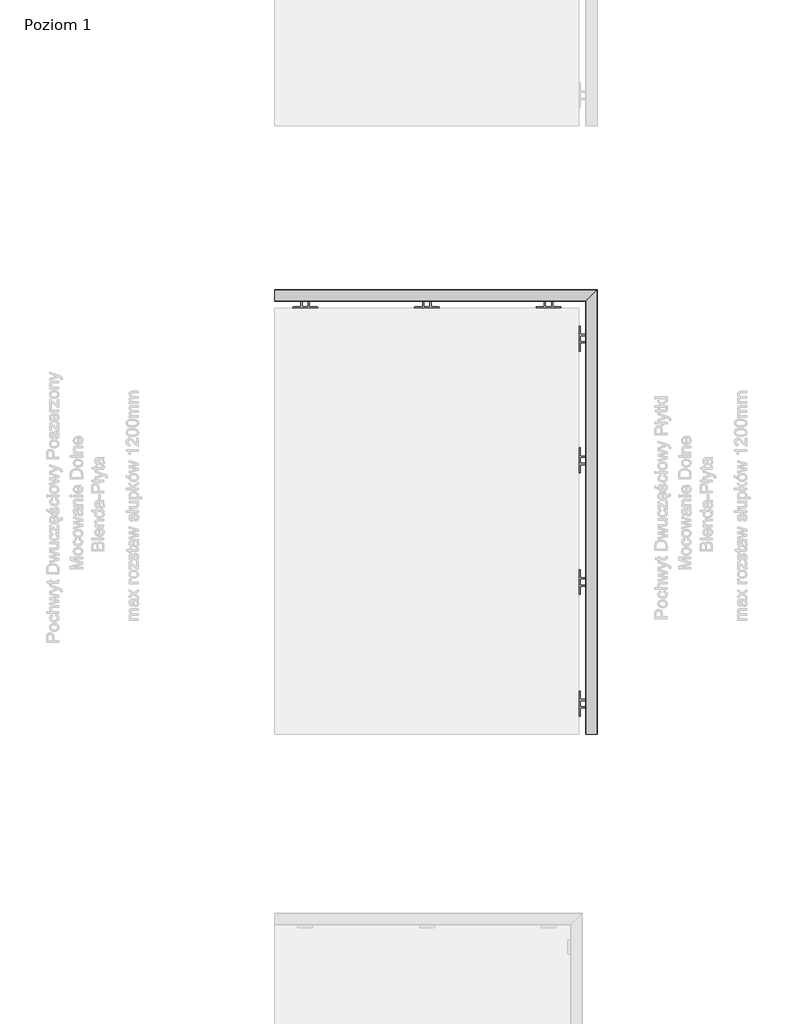
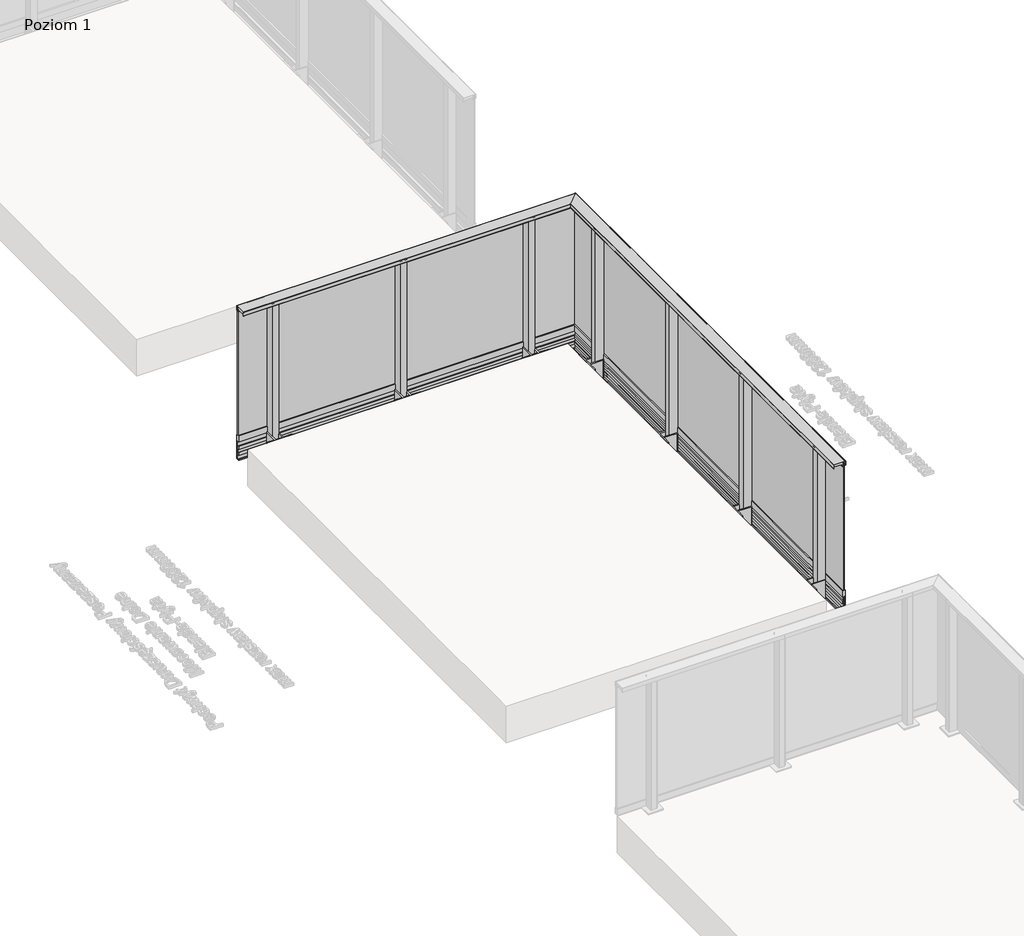
# One storey, part 7 of 35: 1 railing.
"""IFC4 building model written with IfcOpenShell, lengths in millimetres."""

from ifc_helpers import new_model, si_unit, frame, origin, place, context, project, spatial, polyline, circle_curve, ellipse_curve, outline, extrude, faceted_brep, element, save
from ifc_brep_helpers import plane_surface, cylinder_surface, revolved_surface, advanced_brep

model = new_model("IFC4")

# Units and contexts
model_context = context("Model", 3, world=origin())
ifc_project = project(units=[si_unit("LENGTHUNIT", "METRE", prefix="MILLI")], contexts=[model_context])

# Site, building, storey
site = spatial("IfcSite", under=ifc_project)
building = spatial("IfcBuilding", under=site)
storey = spatial("IfcBuildingStorey", under=building, Name="Poziom 1", Elevation=0.0)

# Railing
placement = place(None, origin())
element("IfcRailing", 1, at=placement, inside=storey, context=model_context, shape_type="SolidModel", body=[
    faceted_brep([(19530.9819967, -9629.5008183, -160.0), (19538.9819967, -9629.5008183, -160.0), (19538.9819967, -9629.5008183, -15.0), (19530.9819967, -9629.5008183, -15.0), (19530.9819967, -5989.5008183, -160.0), (19538.9819967, -5981.5008183, -160.0), (19538.9819967, -5981.5008183, -15.0), (19530.9819967, -5989.5008183, -15.0), (16890.9819967, -5989.5008183, -160.0), (16890.9819967, -5989.5008183, -15.0), (16890.9819967, -5981.5008183, -15.0), (16890.9819967, -5981.5008183, -160.0)], [[[0, 1, 2, 3]], [[1, 0, 4, 5]], [[2, 1, 5, 6]], [[3, 2, 6, 7]], [[0, 3, 7, 4]], [[8, 9, 10, 11]], [[5, 4, 8, 11]], [[6, 5, 11, 10]], [[7, 6, 10, 9]], [[4, 7, 9, 8]]]),
    faceted_brep([(19538.3652811, -9629.5008183, 37.0), (19514.3652811, -9629.5008183, 37.0), (19514.3652811, -9629.5008183, -13.15625), (19525.023675, -9629.5008183, -13.15625), (19525.023675, -9629.5008183, -50.6163494), (19514.3721534, -9629.5008183, -50.6163494), (19514.3721534, -9629.5008183, -72.6204288), (19516.4157985, -9629.5008183, -72.6204288), (19516.4157985, -9629.5008183, -52.6204288), (19527.3897991, -9629.5008183, -52.6204288), (19527.3897991, -9629.5008183, -119.2260542), (19516.4157985, -9629.5008183, -119.2260542), (19516.4157985, -9629.5008183, -99.2260542), (19514.3721534, -9629.5008183, -99.2260542), (19514.3721534, -9629.5008183, -121.2444445), (19525.023675, -9629.5008183, -121.2444445), (19525.023675, -9629.5008183, -158.2306744), (19516.2388511, -9629.5008183, -158.2306744), (19514.1935295, -9629.5008183, -158.2306744), (19514.1935295, -9629.5008183, -164.15625), (19538.3685602, -9629.5008183, -164.15625), (19538.3685602, -9629.5008183, -162.15625), (19527.3897991, -9629.5008183, -162.15625), (19527.3897991, -9629.5008183, -160.2306744), (19530.8948217, -9629.5008183, -160.2306744), (19530.8948217, -9629.5008183, -15.15625), (19527.3897991, -9629.5008183, -15.15625), (19527.3897991, -9629.5008183, -13.15625), (19538.3652811, -9629.5008183, -13.15625), (19538.3652811, -5982.117534, 37.0), (19514.3652811, -6006.117534, 37.0), (19514.3652811, -6006.117534, -13.15625), (19525.023675, -5995.4591401, -13.15625), (19525.023675, -5995.4591401, -50.6163494), (19514.3721534, -6006.1106616, -50.6163494), (19514.3721534, -6006.1106616, -72.6204288), (19516.4157985, -6004.0670165, -72.6204288), (19516.4157985, -6004.0670165, -52.6204288), (19527.3897991, -5993.093016, -52.6204288), (19527.3897991, -5993.093016, -119.2260542), (19516.4157985, -6004.0670165, -119.2260542), (19516.4157985, -6004.0670165, -99.2260542), (19514.3721534, -6006.1106616, -99.2260542), (19514.3721534, -6006.1106616, -121.2444445), (19525.023675, -5995.4591401, -121.2444445), (19525.023675, -5995.4591401, -158.2306744), (19516.2388511, -6004.243964, -158.2306744), (19514.1935295, -6006.2892856, -158.2306744), (19514.1935295, -6006.2892856, -164.15625), (19538.3685602, -5982.1142549, -164.15625), (19538.3685602, -5982.1142549, -162.15625), (19527.3897991, -5993.093016, -162.15625), (19527.3897991, -5993.093016, -160.2306744), (19530.8948217, -5989.5879934, -160.2306744), (19530.8948217, -5989.5879934, -15.15625), (19527.3897991, -5993.093016, -15.15625), (19527.3897991, -5993.093016, -13.15625), (19538.3652811, -5982.117534, -13.15625), (16890.9819967, -5982.117534, 37.0), (16890.9819967, -5982.117534, -13.15625), (16890.9819967, -5993.093016, -13.15625), (16890.9819967, -5993.093016, -15.15625), (16890.9819967, -5989.5879934, -15.15625), (16890.9819967, -5989.5879934, -160.2306744), (16890.9819967, -5993.093016, -160.2306744), (16890.9819967, -5993.093016, -162.15625), (16890.9819967, -5982.1142549, -162.15625), (16890.9819967, -5982.1142549, -164.15625), (16890.9819967, -6006.2892856, -164.15625), (16890.9819967, -6006.2892856, -158.2306744), (16890.9819967, -6004.243964, -158.2306744), (16890.9819967, -5995.4591401, -158.2306744), (16890.9819967, -5995.4591401, -121.2444445), (16890.9819967, -6006.1106616, -121.2444445), (16890.9819967, -6006.1106616, -99.2260542), (16890.9819967, -6004.0670165, -99.2260542), (16890.9819967, -6004.0670165, -119.2260542), (16890.9819967, -5993.093016, -119.2260542), (16890.9819967, -5993.093016, -52.6204288), (16890.9819967, -6004.0670165, -52.6204288), (16890.9819967, -6004.0670165, -72.6204288), (16890.9819967, -6006.1106616, -72.6204288), (16890.9819967, -6006.1106616, -50.6163494), (16890.9819967, -5995.4591401, -50.6163494), (16890.9819967, -5995.4591401, -13.15625), (16890.9819967, -6006.117534, -13.15625), (16890.9819967, -6006.117534, 37.0)], [[[0, 1, 2, 3, 4, 5, 6, 7, 8, 9, 10, 11, 12, 13, 14, 15, 16, 17, 18, 19, 20, 21, 22, 23, 24, 25, 26, 27, 28]], [[1, 0, 29, 30]], [[2, 1, 30, 31]], [[3, 2, 31, 32]], [[4, 3, 32, 33]], [[5, 4, 33, 34]], [[6, 5, 34, 35]], [[7, 6, 35, 36]], [[8, 7, 36, 37]], [[9, 8, 37, 38]], [[10, 9, 38, 39]], [[11, 10, 39, 40]], [[12, 11, 40, 41]], [[13, 12, 41, 42]], [[14, 13, 42, 43]], [[15, 14, 43, 44]], [[16, 15, 44, 45]], [[17, 16, 45, 46]], [[18, 17, 46, 47]], [[19, 18, 47, 48]], [[20, 19, 48, 49]], [[21, 20, 49, 50]], [[22, 21, 50, 51]], [[23, 22, 51, 52]], [[24, 23, 52, 53]], [[25, 24, 53, 54]], [[26, 25, 54, 55]], [[27, 26, 55, 56]], [[28, 27, 56, 57]], [[0, 28, 57, 29]], [[58, 59, 60, 61, 62, 63, 64, 65, 66, 67, 68, 69, 70, 71, 72, 73, 74, 75, 76, 77, 78, 79, 80, 81, 82, 83, 84, 85, 86]], [[30, 29, 58, 86]], [[31, 30, 86, 85]], [[32, 31, 85, 84]], [[33, 32, 84, 83]], [[34, 33, 83, 82]], [[35, 34, 82, 81]], [[36, 35, 81, 80]], [[37, 36, 80, 79]], [[38, 37, 79, 78]], [[39, 38, 78, 77]], [[40, 39, 77, 76]], [[41, 40, 76, 75]], [[42, 41, 75, 74]], [[43, 42, 74, 73]], [[44, 43, 73, 72]], [[45, 44, 72, 71]], [[46, 45, 71, 70]], [[47, 46, 70, 69]], [[48, 47, 69, 68]], [[49, 48, 68, 67]], [[50, 49, 67, 66]], [[51, 50, 66, 65]], [[52, 51, 65, 64]], [[53, 52, 64, 63]], [[54, 53, 63, 62]], [[55, 54, 62, 61]], [[56, 55, 61, 60]], [[57, 56, 60, 59]], [[29, 57, 59, 58]]]),
    advanced_brep(
    [(19448.4819967, -9629.5008183, 1100.0), (19447.9819967, -9629.5008183, 1099.5), (19447.9819967, -9629.5008183, 1068.5), (19448.4819967, -9629.5008183, 1068.0), (19449.9819967, -9629.5008183, 1068.0), (19449.9819967, -9629.5008183, 1081.0), (19515.9819967, -9629.5008183, 1081.0), (19515.9819967, -9629.5008183, 1068.0), (19518.7819967, -9629.5008183, 1068.0), (19518.7819967, -9629.5008183, 1069.2), (19517.9819967, -9629.5008183, 1069.2), (19517.9819967, -9629.5008183, 1097.5), (19518.4819967, -9629.5008183, 1098.0), (19537.4819967, -9629.5008183, 1098.0), (19537.9819967, -9629.5008183, 1097.5), (19537.9819967, -9629.5008183, 1069.2), (19537.1819967, -9629.5008183, 1069.2), (19537.1819967, -9629.5008183, 1068.0), (19541.4819967, -9629.5008183, 1068.0), (19541.9819967, -9629.5008183, 1068.5), (19541.9819967, -9629.5008183, 1099.5), (19541.4819967, -9629.5008183, 1100.0), (19448.4819967, -6072.0008183, 1100.0), (19447.9819967, -6072.5008183, 1099.5), (19447.9819967, -6072.5008183, 1068.5), (19448.4819967, -6072.0008183, 1068.0), (19449.9819967, -6070.5008183, 1068.0), (19449.9819967, -6070.5008183, 1081.0), (19515.9819967, -6004.5008183, 1081.0), (19515.9819967, -6004.5008183, 1068.0), (19518.7819967, -6001.7008183, 1068.0), (19518.7819967, -6001.7008183, 1069.2), (19517.9819967, -6002.5008183, 1069.2), (19517.9819967, -6002.5008183, 1097.5), (19518.4819967, -6002.0008183, 1098.0), (19537.4819967, -5983.0008183, 1098.0), (19537.9819967, -5982.5008183, 1097.5), (19537.9819967, -5982.5008183, 1069.2), (19537.1819967, -5983.3008183, 1069.2), (19537.1819967, -5983.3008183, 1068.0), (19541.4819967, -5979.0008183, 1068.0), (19541.9819967, -5978.5008183, 1068.5), (19541.9819967, -5978.5008183, 1099.5), (19541.4819967, -5979.0008183, 1100.0), (16890.9819967, -6072.0008183, 1100.0), (16890.9819967, -5979.0008183, 1100.0), (16890.9819967, -5978.5008183, 1099.5), (16890.9819967, -5978.5008183, 1068.5), (16890.9819967, -5979.0008183, 1068.0), (16890.9819967, -5983.3008183, 1068.0), (16890.9819967, -5983.3008183, 1069.2), (16890.9819967, -5982.5008183, 1069.2), (16890.9819967, -5982.5008183, 1097.5), (16890.9819967, -5983.0008183, 1098.0), (16890.9819967, -6002.0008183, 1098.0), (16890.9819967, -6002.5008183, 1097.5), (16890.9819967, -6002.5008183, 1069.2), (16890.9819967, -6001.7008183, 1069.2), (16890.9819967, -6001.7008183, 1068.0), (16890.9819967, -6004.5008183, 1068.0), (16890.9819967, -6004.5008183, 1081.0), (16890.9819967, -6070.5008183, 1081.0), (16890.9819967, -6070.5008183, 1068.0), (16890.9819967, -6072.0008183, 1068.0), (16890.9819967, -6072.5008183, 1068.5), (16890.9819967, -6072.5008183, 1099.5)],
    [
        (0, 1, circle_curve(frame((19448.4819967, -9629.5008183, 1099.5), z_axis=(0.0, -1.0, 0.0), x_axis=(1.0, 0.0, 0.0)), 0.5)),
        (1, 2),
        (2, 3, circle_curve(frame((19448.4819967, -9629.5008183, 1068.5), z_axis=(0.0, -1.0, 0.0), x_axis=(1.0, 0.0, 0.0)), 0.5)),
        (3, 4),
        (4, 5),
        (5, 6),
        (6, 7),
        (7, 8),
        (8, 9),
        (9, 10),
        (10, 11),
        (11, 12, circle_curve(frame((19518.4819967, -9629.5008183, 1097.5), z_axis=(0.0, 1.0, 0.0), x_axis=(1.0, 0.0, 0.0)), 0.5)),
        (12, 13),
        (13, 14, circle_curve(frame((19537.4819967, -9629.5008183, 1097.5), z_axis=(0.0, 1.0, 0.0), x_axis=(1.0, 0.0, 0.0)), 0.5)),
        (14, 15),
        (15, 16),
        (16, 17),
        (17, 18),
        (18, 19, circle_curve(frame((19541.4819967, -9629.5008183, 1068.5), z_axis=(0.0, -1.0, 0.0), x_axis=(1.0, 0.0, 0.0)), 0.5)),
        (19, 20),
        (20, 21, circle_curve(frame((19541.4819967, -9629.5008183, 1099.5), z_axis=(0.0, -1.0, 0.0), x_axis=(1.0, 0.0, 0.0)), 0.5)),
        (21, 0),
        (0, 22),
        (22, 23, ellipse_curve(frame((19448.4819967, -6072.0008183, 1099.5), z_axis=(0.7071067811865467, -0.7071067811865482, 0.0), x_axis=(-0.7071067811865482, -0.7071067811865469, 0.0)), 0.7071068, 0.5)),
        (23, 1),
        (23, 24),
        (24, 2),
        (24, 25, ellipse_curve(frame((19448.4819967, -6072.0008183, 1068.5), z_axis=(0.7071067811865467, -0.7071067811865482, 0.0), x_axis=(-0.7071067811865482, -0.7071067811865469, 0.0)), 0.7071068, 0.5)),
        (25, 3),
        (25, 26),
        (26, 4),
        (26, 27),
        (27, 5),
        (27, 28),
        (28, 6),
        (28, 29),
        (29, 7),
        (29, 30),
        (30, 8),
        (30, 31),
        (31, 9),
        (31, 32),
        (32, 10),
        (32, 33),
        (33, 11),
        (33, 34, ellipse_curve(frame((19518.4819967, -6002.0008183, 1097.5), z_axis=(-0.7071067811865467, 0.7071067811865482, 0.0), x_axis=(0.7071067811865482, 0.7071067811865469, 0.0)), 0.7071068, 0.5)),
        (34, 12),
        (34, 35),
        (35, 13),
        (35, 36, ellipse_curve(frame((19537.4819967, -5983.0008183, 1097.5), z_axis=(-0.7071067811865467, 0.7071067811865482, 0.0), x_axis=(0.7071067811865482, 0.7071067811865469, 0.0)), 0.7071068, 0.5)),
        (36, 14),
        (36, 37),
        (37, 15),
        (37, 38),
        (38, 16),
        (38, 39),
        (39, 17),
        (39, 40),
        (40, 18),
        (40, 41, ellipse_curve(frame((19541.4819967, -5979.0008183, 1068.5), z_axis=(0.7071067811865467, -0.7071067811865482, 0.0), x_axis=(-0.7071067811865482, -0.7071067811865469, 0.0)), 0.7071068, 0.5)),
        (41, 19),
        (41, 42),
        (42, 20),
        (42, 43, ellipse_curve(frame((19541.4819967, -5979.0008183, 1099.5), z_axis=(0.7071067811865467, -0.7071067811865482, 0.0), x_axis=(-0.7071067811865482, -0.7071067811865469, 0.0)), 0.7071068, 0.5)),
        (43, 21),
        (43, 22),
        (44, 45),
        (45, 46, circle_curve(frame((16890.9819967, -5979.0008183, 1099.5), z_axis=(-1.0, 0.0, 0.0), x_axis=(0.0, 1.0, 0.0)), 0.5)),
        (46, 47),
        (47, 48, circle_curve(frame((16890.9819967, -5979.0008183, 1068.5), z_axis=(-1.0, 0.0, 0.0), x_axis=(0.0, 1.0, 0.0)), 0.5)),
        (48, 49),
        (49, 50),
        (50, 51),
        (51, 52),
        (52, 53, circle_curve(frame((16890.9819967, -5983.0008183, 1097.5), z_axis=(1.0, 0.0, 0.0), x_axis=(0.0, 1.0, 0.0)), 0.5)),
        (53, 54),
        (54, 55, circle_curve(frame((16890.9819967, -6002.0008183, 1097.5), z_axis=(1.0, 0.0, 0.0), x_axis=(0.0, 1.0, 0.0)), 0.5)),
        (55, 56),
        (56, 57),
        (57, 58),
        (58, 59),
        (59, 60),
        (60, 61),
        (61, 62),
        (62, 63),
        (63, 64, circle_curve(frame((16890.9819967, -6072.0008183, 1068.5), z_axis=(-1.0, 0.0, 0.0), x_axis=(0.0, 1.0, 0.0)), 0.5)),
        (64, 65),
        (65, 44, circle_curve(frame((16890.9819967, -6072.0008183, 1099.5), z_axis=(-1.0, 0.0, 0.0), x_axis=(0.0, 1.0, 0.0)), 0.5)),
        (22, 44),
        (65, 23),
        (64, 24),
        (63, 25),
        (62, 26),
        (61, 27),
        (60, 28),
        (59, 29),
        (58, 30),
        (57, 31),
        (56, 32),
        (55, 33),
        (54, 34),
        (53, 35),
        (52, 36),
        (51, 37),
        (50, 38),
        (49, 39),
        (48, 40),
        (47, 41),
        (46, 42),
        (45, 43),
    ],
    [
        plane_surface(frame((19482.9819967, -9629.5008183, 1100.0), z_axis=(0.0, -1.0, 0.0), x_axis=(0.0, 0.0, 1.0))),
        cylinder_surface(frame((19448.4819967, -9629.5008183, 1099.5), z_axis=(0.0, -1.0, 0.0), x_axis=(1.0, 0.0, 0.0)), 0.5),
        plane_surface(frame((19447.9819967, -9629.5008183, 1099.5), z_axis=(-1.0, 0.0, 0.0), x_axis=(0.0, 1.0, 0.0))),
        cylinder_surface(frame((19448.4819967, -9629.5008183, 1068.5), z_axis=(0.0, -1.0, 0.0), x_axis=(1.0, 0.0, 0.0)), 0.5),
        plane_surface(frame((19448.4819967, -9629.5008183, 1068.0), z_axis=(0.0, 0.0, -1.0), x_axis=(0.0, 1.0, 0.0))),
        plane_surface(frame((19449.9819967, -9629.5008183, 1068.0), z_axis=(1.0, 0.0, 0.0), x_axis=(0.0, 1.0, 0.0))),
        plane_surface(frame((19449.9819967, -9629.5008183, 1081.0), z_axis=(0.0, 0.0, -1.0), x_axis=(0.0, 1.0, 0.0))),
        plane_surface(frame((19515.9819967, -9629.5008183, 1081.0), z_axis=(-1.0, 0.0, 0.0), x_axis=(0.0, 1.0, 0.0))),
        plane_surface(frame((19515.9819967, -9629.5008183, 1068.0), z_axis=(0.0, 0.0, -1.0), x_axis=(0.0, 1.0, 0.0))),
        plane_surface(frame((19518.7819967, -9629.5008183, 1068.0), z_axis=(1.0, 0.0, 0.0), x_axis=(0.0, 1.0, 0.0))),
        plane_surface(frame((19518.7819967, -9629.5008183, 1069.2), z_axis=(0.0, 0.0, 1.0), x_axis=(0.0, 1.0, 0.0))),
        plane_surface(frame((19517.9819967, -9629.5008183, 1069.2), z_axis=(1.0, 0.0, 0.0), x_axis=(0.0, 1.0, 0.0))),
        revolved_surface(polyline([(19518.9819967, -6001.500818286697, 1097.5), (19518.9819967, -9629.5008183, 1097.5)]), (19518.4819967, -9629.5008183, 1097.5), (0.0, 1.0, 0.0)),
        plane_surface(frame((19518.4819967, -9629.5008183, 1098.0), z_axis=(0.0, 0.0, -1.0), x_axis=(0.0, 1.0, 0.0))),
        revolved_surface(polyline([(19537.9819967, -5982.500818286697, 1097.5), (19537.9819967, -9629.5008183, 1097.5)]), (19537.4819967, -9629.5008183, 1097.5), (0.0, 1.0, 0.0)),
        plane_surface(frame((19537.9819967, -9629.5008183, 1097.5), z_axis=(-1.0, 0.0, 0.0), x_axis=(0.0, 1.0, 0.0))),
        plane_surface(frame((19537.9819967, -9629.5008183, 1069.2), z_axis=(0.0, 0.0, 1.0), x_axis=(0.0, 1.0, 0.0))),
        plane_surface(frame((19537.1819967, -9629.5008183, 1069.2), z_axis=(-1.0, 0.0, 0.0), x_axis=(0.0, 1.0, 0.0))),
        plane_surface(frame((19537.1819967, -9629.5008183, 1068.0), z_axis=(0.0, 0.0, -1.0), x_axis=(0.0, 1.0, 0.0))),
        cylinder_surface(frame((19541.4819967, -9629.5008183, 1068.5), z_axis=(0.0, -1.0, 0.0), x_axis=(1.0, 0.0, 0.0)), 0.5),
        plane_surface(frame((19541.9819967, -9629.5008183, 1068.5), z_axis=(1.0, 0.0, 0.0), x_axis=(0.0, 1.0, 0.0))),
        cylinder_surface(frame((19541.4819967, -9629.5008183, 1099.5), z_axis=(0.0, -1.0, 0.0), x_axis=(1.0, 0.0, 0.0)), 0.5),
        plane_surface(frame((19541.4819967, -9629.5008183, 1100.0), z_axis=(0.0, 0.0, 1.0), x_axis=(0.0, 1.0, 0.0))),
        plane_surface(frame((16890.9819967, -6037.5008183, 1100.0), z_axis=(-1.0, 0.0, 0.0), x_axis=(0.0, -1.0, 0.0))),
        cylinder_surface(frame((19482.9819967, -6072.0008183, 1099.5), z_axis=(1.0, 0.0, 0.0), x_axis=(0.0, 1.0, 0.0)), 0.5),
        plane_surface(frame((19447.9819967, -6072.5008183, 1099.5), z_axis=(0.0, -1.0, 0.0), x_axis=(-1.0, 0.0, 0.0))),
        cylinder_surface(frame((19482.9819967, -6072.0008183, 1068.5), z_axis=(1.0, 0.0, 0.0), x_axis=(0.0, 1.0, 0.0)), 0.5),
        plane_surface(frame((19448.4819967, -6072.0008183, 1068.0), z_axis=(0.0, 0.0, -1.0), x_axis=(-1.0, 0.0, 0.0))),
        plane_surface(frame((19449.9819967, -6070.5008183, 1068.0), z_axis=(0.0, 1.0, 0.0), x_axis=(-1.0, 0.0, 0.0))),
        plane_surface(frame((19449.9819967, -6070.5008183, 1081.0), z_axis=(0.0, 0.0, -1.0), x_axis=(-1.0, 0.0, 0.0))),
        plane_surface(frame((19515.9819967, -6004.5008183, 1081.0), z_axis=(0.0, -1.0, 0.0), x_axis=(-1.0, 0.0, 0.0))),
        plane_surface(frame((19515.9819967, -6004.5008183, 1068.0), z_axis=(0.0, 0.0, -1.0), x_axis=(-1.0, 0.0, 0.0))),
        plane_surface(frame((19518.7819967, -6001.7008183, 1068.0), z_axis=(0.0, 1.0, 0.0), x_axis=(-1.0, 0.0, 0.0))),
        plane_surface(frame((19518.7819967, -6001.7008183, 1069.2), z_axis=(0.0, 0.0, 1.0), x_axis=(-1.0, 0.0, 0.0))),
        plane_surface(frame((19517.9819967, -6002.5008183, 1069.2), z_axis=(0.0, 1.0, 0.0), x_axis=(-1.0, 0.0, 0.0))),
        revolved_surface(polyline([(16890.9819967, -6001.5008183, 1097.5), (19518.981996713304, -6001.5008183, 1097.5)]), (19482.9819967, -6002.0008183, 1097.5), (-1.0, 0.0, 0.0)),
        plane_surface(frame((19518.4819967, -6002.0008183, 1098.0), z_axis=(0.0, 0.0, -1.0), x_axis=(-1.0, 0.0, 0.0))),
        revolved_surface(polyline([(16890.9819967, -5982.5008183, 1097.5), (19537.981996713304, -5982.5008183, 1097.5)]), (19482.9819967, -5983.0008183, 1097.5), (-1.0, 0.0, 0.0)),
        plane_surface(frame((19537.9819967, -5982.5008183, 1097.5), z_axis=(0.0, -1.0, 0.0), x_axis=(-1.0, 0.0, 0.0))),
        plane_surface(frame((19537.9819967, -5982.5008183, 1069.2), z_axis=(0.0, 0.0, 1.0), x_axis=(-1.0, 0.0, 0.0))),
        plane_surface(frame((19537.1819967, -5983.3008183, 1069.2), z_axis=(0.0, -1.0, 0.0), x_axis=(-1.0, 0.0, 0.0))),
        plane_surface(frame((19537.1819967, -5983.3008183, 1068.0), z_axis=(0.0, 0.0, -1.0), x_axis=(-1.0, 0.0, 0.0))),
        cylinder_surface(frame((19482.9819967, -5979.0008183, 1068.5), z_axis=(1.0, 0.0, 0.0), x_axis=(0.0, 1.0, 0.0)), 0.5),
        plane_surface(frame((19541.9819967, -5978.5008183, 1068.5), z_axis=(0.0, 1.0, 0.0), x_axis=(-1.0, 0.0, 0.0))),
        cylinder_surface(frame((19482.9819967, -5979.0008183, 1099.5), z_axis=(1.0, 0.0, 0.0), x_axis=(0.0, 1.0, 0.0)), 0.5),
        plane_surface(frame((19541.4819967, -5979.0008183, 1100.0), z_axis=(0.0, 0.0, 1.0), x_axis=(-1.0, 0.0, 0.0))),
    ],
    [
        (0, [[1, 2, 3, 4, 5, 6, 7, 8, 9, 10, 11, 12, 13, 14, 15, 16, 17, 18, 19, 20, 21, 22]]),
        (1, [[-1, 23, 24, 25]]),
        (2, [[-2, -25, 26, 27]]),
        (3, [[-3, -27, 28, 29]]),
        (4, [[-4, -29, 30, 31]]),
        (5, [[-5, -31, 32, 33]]),
        (6, [[-6, -33, 34, 35]]),
        (7, [[-7, -35, 36, 37]]),
        (8, [[-8, -37, 38, 39]]),
        (9, [[-9, -39, 40, 41]]),
        (10, [[-10, -41, 42, 43]]),
        (11, [[-11, -43, 44, 45]]),
        (12, [[-12, -45, 46, 47]]),
        (13, [[-13, -47, 48, 49]]),
        (14, [[-14, -49, 50, 51]]),
        (15, [[-15, -51, 52, 53]]),
        (16, [[-16, -53, 54, 55]]),
        (17, [[-17, -55, 56, 57]]),
        (18, [[-18, -57, 58, 59]]),
        (19, [[-19, -59, 60, 61]]),
        (20, [[-20, -61, 62, 63]]),
        (21, [[-21, -63, 64, 65]]),
        (22, [[-22, -65, 66, -23]]),
        (23, [[67, 68, 69, 70, 71, 72, 73, 74, 75, 76, 77, 78, 79, 80, 81, 82, 83, 84, 85, 86, 87, 88]]),
        (24, [[-24, 89, -88, 90]]),
        (25, [[-26, -90, -87, 91]]),
        (26, [[-28, -91, -86, 92]]),
        (27, [[-30, -92, -85, 93]]),
        (28, [[-32, -93, -84, 94]]),
        (29, [[-34, -94, -83, 95]]),
        (30, [[-36, -95, -82, 96]]),
        (31, [[-38, -96, -81, 97]]),
        (32, [[-40, -97, -80, 98]]),
        (33, [[-42, -98, -79, 99]]),
        (34, [[-44, -99, -78, 100]]),
        (35, [[-46, -100, -77, 101]]),
        (36, [[-48, -101, -76, 102]]),
        (37, [[-50, -102, -75, 103]]),
        (38, [[-52, -103, -74, 104]]),
        (39, [[-54, -104, -73, 105]]),
        (40, [[-56, -105, -72, 106]]),
        (41, [[-58, -106, -71, 107]]),
        (42, [[-60, -107, -70, 108]]),
        (43, [[-62, -108, -69, 109]]),
        (44, [[-64, -109, -68, 110]]),
        (45, [[-66, -110, -67, -89]]),
    ],
),
    faceted_brep([(19529.9819967, -9629.5008183, 1087.0), (19521.9819967, -9629.5008183, 1087.0), (19521.9819967, -9629.5008183, 37.0), (19529.9819967, -9629.5008183, 37.0), (19529.9819967, -5990.5008183, 1087.0), (19521.9819967, -5998.5008183, 1087.0), (19521.9819967, -5998.5008183, 37.0), (19529.9819967, -5990.5008183, 37.0), (16890.9819967, -5990.5008183, 1087.0), (16890.9819967, -5990.5008183, 37.0), (16890.9819967, -5998.5008183, 37.0), (16890.9819967, -5998.5008183, 1087.0)], [[[0, 1, 2, 3]], [[1, 0, 4, 5]], [[2, 1, 5, 6]], [[3, 2, 6, 7]], [[0, 3, 7, 4]], [[8, 9, 10, 11]], [[5, 4, 8, 11]], [[6, 5, 11, 10]], [[7, 6, 10, 9]], [[4, 7, 9, 8]]]),
    faceted_brep([(19516.6692541, -9629.5008183, 1065.2160621), (19515.6441664, -9629.5008183, 1065.2160621), (19515.6441664, -9629.5008183, 1063.6627783), (19521.9819967, -9629.5008183, 1061.8454347), (19521.9819967, -9629.5008183, 1072.0), (19516.6692541, -9629.5008183, 1074.1464874), (19516.6692541, -6003.813561, 1065.2160621), (19515.6441664, -6004.8386487, 1065.2160621), (19515.6441664, -6004.8386487, 1063.6627783), (19521.9819967, -5998.5008183, 1061.8454347), (19521.9819967, -5998.5008183, 1072.0), (19516.6692541, -6003.813561, 1074.1464874), (16890.9819967, -6003.813561, 1065.2160621), (16890.9819967, -6003.813561, 1074.1464874), (16890.9819967, -5998.5008183, 1072.0), (16890.9819967, -5998.5008183, 1061.8454347), (16890.9819967, -6004.8386487, 1063.6627783), (16890.9819967, -6004.8386487, 1065.2160621)], [[[0, 1, 2, 3, 4, 5]], [[1, 0, 6, 7]], [[2, 1, 7, 8]], [[3, 2, 8, 9]], [[4, 3, 9, 10]], [[5, 4, 10, 11]], [[0, 5, 11, 6]], [[12, 13, 14, 15, 16, 17]], [[7, 6, 12, 17]], [[8, 7, 17, 16]], [[9, 8, 16, 15]], [[10, 9, 15, 14]], [[11, 10, 14, 13]], [[6, 11, 13, 12]]]),
    faceted_brep([(19535.2947394, -9629.5008183, 1065.2160621), (19535.2947394, -9629.5008183, 1074.1464874), (19529.9819967, -9629.5008183, 1072.0), (19529.9819967, -9629.5008183, 1061.8454347), (19536.3198271, -9629.5008183, 1063.6627783), (19536.3198271, -9629.5008183, 1065.2160621), (19535.2947394, -5985.1880757, 1065.2160621), (19535.2947394, -5985.1880757, 1074.1464874), (19529.9819967, -5990.5008183, 1072.0), (19529.9819967, -5990.5008183, 1061.8454347), (19536.3198271, -5984.162988, 1063.6627783), (19536.3198271, -5984.162988, 1065.2160621), (16890.9819967, -5985.1880757, 1065.2160621), (16890.9819967, -5984.162988, 1065.2160621), (16890.9819967, -5984.162988, 1063.6627783), (16890.9819967, -5990.5008183, 1061.8454347), (16890.9819967, -5990.5008183, 1072.0), (16890.9819967, -5985.1880757, 1074.1464874)], [[[0, 1, 2, 3, 4, 5]], [[1, 0, 6, 7]], [[2, 1, 7, 8]], [[3, 2, 8, 9]], [[4, 3, 9, 10]], [[5, 4, 10, 11]], [[0, 5, 11, 6]], [[12, 13, 14, 15, 16, 17]], [[7, 6, 12, 17]], [[8, 7, 17, 16]], [[9, 8, 16, 15]], [[10, 9, 15, 14]], [[11, 10, 14, 13]], [[6, 11, 13, 12]]]),
    extrude(outline(polyline([(17115.9819967, -6071.5008183), (17115.9819967, -6006.5008183), (17165.9819967, -6006.5008183), (17165.9819967, -6071.5008183), (17115.9819967, -6071.5008183)])), frame((0.0, 0.0, -162.0), z_axis=(0.0, 0.0, 1.0), x_axis=(1.0, 0.0, 0.0)), (0.0, 0.0, 1.0), 1253.0),
    extrude(outline(polyline([(17038.4819967, -6129.5008183), (17038.4819967, -6120.3292455), (17041.3104239, -6117.5008183), (17105.9612097, -6117.5008183), (17105.9612097, -6014.5637744), (17109.4872118, -6009.5281216), (17115.9612097, -6009.5281216), (17115.9612097, -6117.5008183), (17166.0027837, -6117.5008183), (17166.0027837, -6009.5281216), (17172.4767816, -6009.5281216), (17176.0027837, -6014.5637744), (17176.0027837, -6117.5008183), (17240.6535696, -6117.5008183), (17243.4819967, -6120.3292455), (17243.4819967, -6129.5008183), (17038.4819967, -6129.5008183)])), frame((0.0, 0.0, -152.0), z_axis=(0.0, 0.0, 1.0), x_axis=(1.0, 0.0, 0.0)), (0.0, 0.0, 1.0), 150.0),
    extrude(outline(polyline([(18115.9819967, -6071.5008183), (18115.9819967, -6006.5008183), (18165.9819967, -6006.5008183), (18165.9819967, -6071.5008183), (18115.9819967, -6071.5008183)])), frame((0.0, 0.0, -162.0), z_axis=(0.0, 0.0, 1.0), x_axis=(1.0, 0.0, 0.0)), (0.0, 0.0, 1.0), 1253.0),
    extrude(outline(polyline([(18038.4819967, -6129.5008183), (18038.4819967, -6120.3292455), (18041.3104239, -6117.5008183), (18105.9612097, -6117.5008183), (18105.9612097, -6014.5637744), (18109.4872118, -6009.5281216), (18115.9612097, -6009.5281216), (18115.9612097, -6117.5008183), (18166.0027837, -6117.5008183), (18166.0027837, -6009.5281216), (18172.4767816, -6009.5281216), (18176.0027837, -6014.5637744), (18176.0027837, -6117.5008183), (18240.6535696, -6117.5008183), (18243.4819967, -6120.3292455), (18243.4819967, -6129.5008183), (18038.4819967, -6129.5008183)])), frame((0.0, 0.0, -152.0), z_axis=(0.0, 0.0, 1.0), x_axis=(1.0, 0.0, 0.0)), (0.0, 0.0, 1.0), 150.0),
    extrude(outline(polyline([(19115.9819967, -6071.5008183), (19115.9819967, -6006.5008183), (19165.9819967, -6006.5008183), (19165.9819967, -6071.5008183), (19115.9819967, -6071.5008183)])), frame((0.0, 0.0, -162.0), z_axis=(0.0, 0.0, 1.0), x_axis=(1.0, 0.0, 0.0)), (0.0, 0.0, 1.0), 1253.0),
    extrude(outline(polyline([(19038.4819967, -6129.5008183), (19038.4819967, -6120.3292455), (19041.3104239, -6117.5008183), (19105.9612097, -6117.5008183), (19105.9612097, -6014.5637744), (19109.4872118, -6009.5281216), (19115.9612097, -6009.5281216), (19115.9612097, -6117.5008183), (19166.0027837, -6117.5008183), (19166.0027837, -6009.5281216), (19172.4767816, -6009.5281216), (19176.0027837, -6014.5637744), (19176.0027837, -6117.5008183), (19240.6535696, -6117.5008183), (19243.4819967, -6120.3292455), (19243.4819967, -6129.5008183), (19038.4819967, -6129.5008183)])), frame((0.0, 0.0, -152.0), z_axis=(0.0, 0.0, 1.0), x_axis=(1.0, 0.0, 0.0)), (0.0, 0.0, 1.0), 150.0),
    extrude(outline(polyline([(19448.9819967, -6354.5008183), (19513.9819967, -6354.5008183), (19513.9819967, -6404.5008183), (19448.9819967, -6404.5008183), (19448.9819967, -6354.5008183)])), frame((0.0, 0.0, -162.0), z_axis=(0.0, 0.0, 1.0), x_axis=(1.0, 0.0, 0.0)), (0.0, 0.0, 1.0), 1253.0),
    extrude(outline(polyline([(19390.9819967, -6277.0008183), (19400.1535696, -6277.0008183), (19402.9819967, -6279.8292455), (19402.9819967, -6344.4800313), (19505.9190406, -6344.4800313), (19510.9546935, -6348.0060334), (19510.9546935, -6354.4800313), (19402.9819967, -6354.4800313), (19402.9819967, -6404.5216053), (19510.9546935, -6404.5216053), (19510.9546935, -6410.9956032), (19505.9190406, -6414.5216053), (19402.9819967, -6414.5216053), (19402.9819967, -6479.1723912), (19400.1535696, -6482.0008183), (19390.9819967, -6482.0008183), (19390.9819967, -6277.0008183)])), frame((0.0, 0.0, -152.0), z_axis=(0.0, 0.0, 1.0), x_axis=(1.0, 0.0, 0.0)), (0.0, 0.0, 1.0), 150.0),
    extrude(outline(polyline([(19448.9819967, -7354.5008183), (19513.9819967, -7354.5008183), (19513.9819967, -7404.5008183), (19448.9819967, -7404.5008183), (19448.9819967, -7354.5008183)])), frame((0.0, 0.0, -162.0), z_axis=(0.0, 0.0, 1.0), x_axis=(1.0, 0.0, 0.0)), (0.0, 0.0, 1.0), 1253.0),
    extrude(outline(polyline([(19390.9819967, -7277.0008183), (19400.1535696, -7277.0008183), (19402.9819967, -7279.8292455), (19402.9819967, -7344.4800313), (19505.9190406, -7344.4800313), (19510.9546935, -7348.0060334), (19510.9546935, -7354.4800313), (19402.9819967, -7354.4800313), (19402.9819967, -7404.5216053), (19510.9546935, -7404.5216053), (19510.9546935, -7410.9956032), (19505.9190406, -7414.5216053), (19402.9819967, -7414.5216053), (19402.9819967, -7479.1723912), (19400.1535696, -7482.0008183), (19390.9819967, -7482.0008183), (19390.9819967, -7277.0008183)])), frame((0.0, 0.0, -152.0), z_axis=(0.0, 0.0, 1.0), x_axis=(1.0, 0.0, 0.0)), (0.0, 0.0, 1.0), 150.0),
    extrude(outline(polyline([(19448.9819967, -8354.5008183), (19513.9819967, -8354.5008183), (19513.9819967, -8404.5008183), (19448.9819967, -8404.5008183), (19448.9819967, -8354.5008183)])), frame((0.0, 0.0, -162.0), z_axis=(0.0, 0.0, 1.0), x_axis=(1.0, 0.0, 0.0)), (0.0, 0.0, 1.0), 1253.0),
    extrude(outline(polyline([(19390.9819967, -8277.0008183), (19400.1535696, -8277.0008183), (19402.9819967, -8279.8292455), (19402.9819967, -8344.4800313), (19505.9190406, -8344.4800313), (19510.9546935, -8348.0060334), (19510.9546935, -8354.4800313), (19402.9819967, -8354.4800313), (19402.9819967, -8404.5216053), (19510.9546935, -8404.5216053), (19510.9546935, -8410.9956032), (19505.9190406, -8414.5216053), (19402.9819967, -8414.5216053), (19402.9819967, -8479.1723912), (19400.1535696, -8482.0008183), (19390.9819967, -8482.0008183), (19390.9819967, -8277.0008183)])), frame((0.0, 0.0, -152.0), z_axis=(0.0, 0.0, 1.0), x_axis=(1.0, 0.0, 0.0)), (0.0, 0.0, 1.0), 150.0),
    extrude(outline(polyline([(19448.9819967, -9354.5008183), (19513.9819967, -9354.5008183), (19513.9819967, -9404.5008183), (19448.9819967, -9404.5008183), (19448.9819967, -9354.5008183)])), frame((0.0, 0.0, -162.0), z_axis=(0.0, 0.0, 1.0), x_axis=(1.0, 0.0, 0.0)), (0.0, 0.0, 1.0), 1253.0),
    extrude(outline(polyline([(19390.9819967, -9277.0008183), (19400.1535696, -9277.0008183), (19402.9819967, -9279.8292455), (19402.9819967, -9344.4800313), (19505.9190406, -9344.4800313), (19510.9546935, -9348.0060334), (19510.9546935, -9354.4800313), (19402.9819967, -9354.4800313), (19402.9819967, -9404.5216053), (19510.9546935, -9404.5216053), (19510.9546935, -9410.9956032), (19505.9190406, -9414.5216053), (19402.9819967, -9414.5216053), (19402.9819967, -9479.1723912), (19400.1535696, -9482.0008183), (19390.9819967, -9482.0008183), (19390.9819967, -9277.0008183)])), frame((0.0, 0.0, -152.0), z_axis=(0.0, 0.0, 1.0), x_axis=(1.0, 0.0, 0.0)), (0.0, 0.0, 1.0), 150.0),
    extrude(outline(polyline([(17115.9819967, -6071.5008183), (17115.9819967, -6006.5008183), (17165.9819967, -6006.5008183), (17165.9819967, -6071.5008183), (17115.9819967, -6071.5008183)])), frame((0.0, 0.0, -162.0), z_axis=(0.0, 0.0, 1.0), x_axis=(1.0, 0.0, 0.0)), (0.0, 0.0, 1.0), 1253.0),
    extrude(outline(polyline([(17038.4819967, -6129.5008183), (17038.4819967, -6120.3292455), (17041.3104239, -6117.5008183), (17105.9612097, -6117.5008183), (17105.9612097, -6014.5637744), (17109.4872118, -6009.5281216), (17115.9612097, -6009.5281216), (17115.9612097, -6117.5008183), (17166.0027837, -6117.5008183), (17166.0027837, -6009.5281216), (17172.4767816, -6009.5281216), (17176.0027837, -6014.5637744), (17176.0027837, -6117.5008183), (17240.6535696, -6117.5008183), (17243.4819967, -6120.3292455), (17243.4819967, -6129.5008183), (17038.4819967, -6129.5008183)])), frame((0.0, 0.0, -152.0), z_axis=(0.0, 0.0, 1.0), x_axis=(1.0, 0.0, 0.0)), (0.0, 0.0, 1.0), 150.0),
    extrude(outline(polyline([(19448.9819967, -9354.5008183), (19513.9819967, -9354.5008183), (19513.9819967, -9404.5008183), (19448.9819967, -9404.5008183), (19448.9819967, -9354.5008183)])), frame((0.0, 0.0, -162.0), z_axis=(0.0, 0.0, 1.0), x_axis=(1.0, 0.0, 0.0)), (0.0, 0.0, 1.0), 1253.0),
    extrude(outline(polyline([(19390.9819967, -9277.0008183), (19400.1535696, -9277.0008183), (19402.9819967, -9279.8292455), (19402.9819967, -9344.4800313), (19505.9190406, -9344.4800313), (19510.9546935, -9348.0060334), (19510.9546935, -9354.4800313), (19402.9819967, -9354.4800313), (19402.9819967, -9404.5216053), (19510.9546935, -9404.5216053), (19510.9546935, -9410.9956032), (19505.9190406, -9414.5216053), (19402.9819967, -9414.5216053), (19402.9819967, -9479.1723912), (19400.1535696, -9482.0008183), (19390.9819967, -9482.0008183), (19390.9819967, -9277.0008183)])), frame((0.0, 0.0, -152.0), z_axis=(0.0, 0.0, 1.0), x_axis=(1.0, 0.0, 0.0)), (0.0, 0.0, 1.0), 150.0),
])

save(model, "model.ifc")
